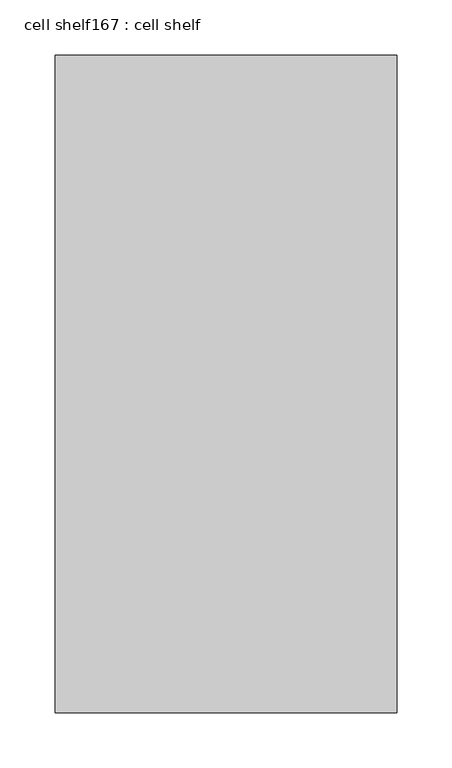
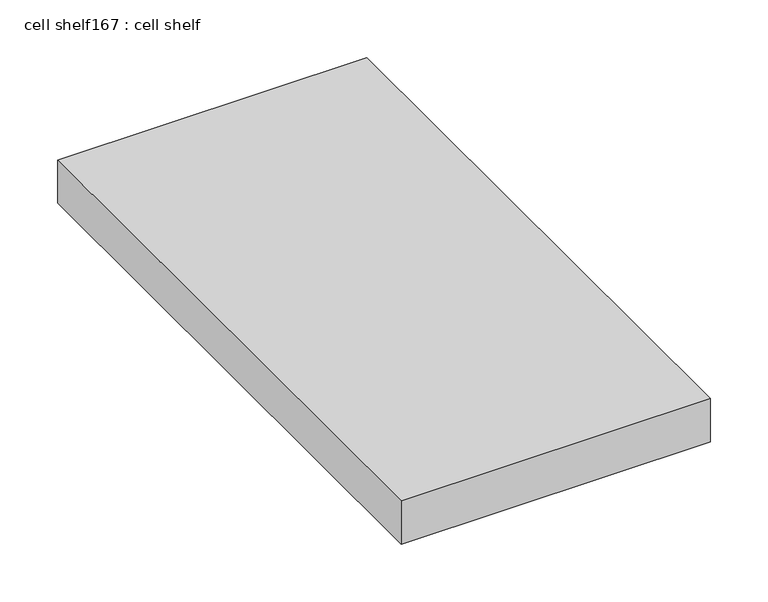
"""IFC4 building model written with IfcOpenShell, lengths in millimetres: proxy geometry, cell shelf167 : cell shelf."""

from ifc_helpers import new_model, si_unit, frame, origin, place, context, project, spatial, polyline, outline, extrude, source, transform, mapped, element, save


def cell_shelf167_cell_shelf_bebe82d2(model_context):
    return source(origin(), model_context, "Body", "SweptSolid", [
        extrude(outline(polyline([(-236592.4407024, -30575.4281598), (-236592.4407024, -29980.3417641), (-236283.0929059, -29980.3417641), (-236283.0929059, -30575.4281598), (-236592.4407024, -30575.4281598)])), frame((0.0, 0.0, 1320.0941517), z_axis=(0.0, 0.0, 1.0), x_axis=(1.0, 0.0, 0.0)), (0.0, 0.0, 1.0), 45.8133004),
    ])


if __name__ == "__main__":
    model = new_model("IFC4")
    model_context = context("Model", 3, world=origin())
    ifc_project = project(units=[si_unit("LENGTHUNIT", "METRE", prefix="MILLI")], contexts=[model_context])
    site = spatial("IfcSite", under=ifc_project)
    building = spatial("IfcBuilding", under=site)
    placement = place(None, origin())
    cell_shelf167_cell_shelf_shape = cell_shelf167_cell_shelf_bebe82d2(model_context)
    element("IfcBuildingElementProxy", 1, Name="cell shelf167 : cell shelf", ObjectType="cell shelf167 : cell shelf", at=placement, inside=building, context=model_context, shape_type="MappedRepresentation", body=[
        mapped(cell_shelf167_cell_shelf_shape, transform((0.0, 0.0, 0.0), x_axis=(1.0, 0.0, 0.0), y_axis=(0.0, 1.0, 0.0), z_axis=(0.0, 0.0, 1.0))),
    ])
    save(model, "model.ifc")
